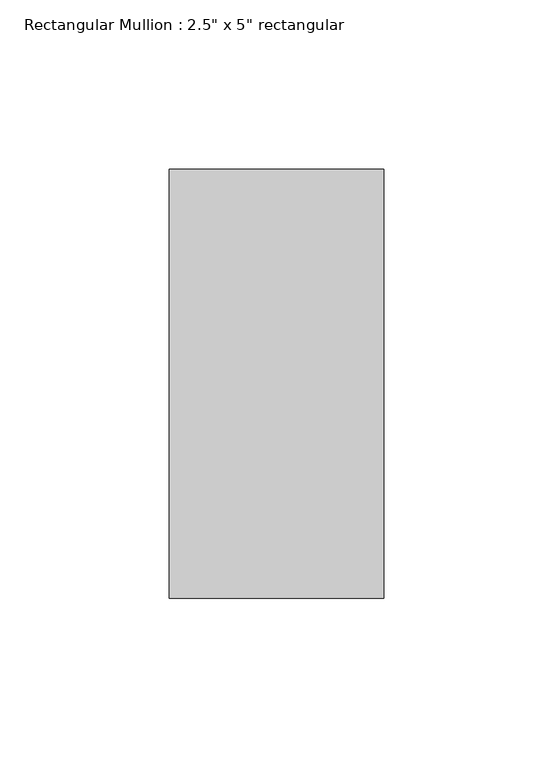
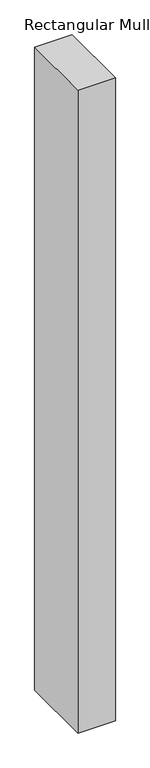
"""IFC4 building model written with IfcOpenShell, lengths in millimetres: member geometry."""

from ifc_helpers import new_model, si_unit, frame, origin, place, context, project, spatial, polyline, outline, extrude, source, transform, mapped, element, save


def member_6d9f52ad(model_context):
    return source(origin(), model_context, "Body", "SweptSolid", [
        extrude(outline(polyline([(0.0, 63.5), (0.0, -63.5), (-63.5, -63.5), (-63.5, 63.5), (0.0, 63.5)])), frame((0.0, 0.0, -1153.2793938), z_axis=(0.0, 0.0, 1.0), x_axis=(1.0, 0.0, 0.0)), (0.0, 0.0, 1.0), 1153.2793938),
    ])


if __name__ == "__main__":
    model = new_model("IFC4")
    model_context = context("Model", 3, world=origin())
    ifc_project = project(units=[si_unit("LENGTHUNIT", "METRE", prefix="MILLI")], contexts=[model_context])
    site = spatial("IfcSite", under=ifc_project)
    building = spatial("IfcBuilding", under=site)
    placement = place(None, origin())
    member_shape = member_6d9f52ad(model_context)
    element("IfcMember", 1, ObjectType="Rectangular Mullion : 2.5\" x 5\" rectangular", at=placement, inside=building, context=model_context, shape_type="MappedRepresentation", body=[
        mapped(member_shape, transform((0.0, 0.0, 0.0), x_axis=(1.0, 0.0, 0.0), y_axis=(0.0, 1.0, 0.0), z_axis=(0.0, 0.0, 1.0))),
    ])
    save(model, "model.ifc")
